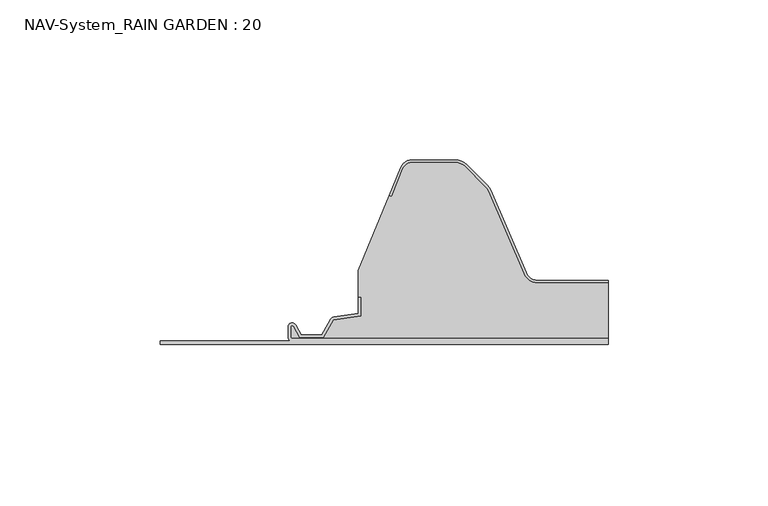
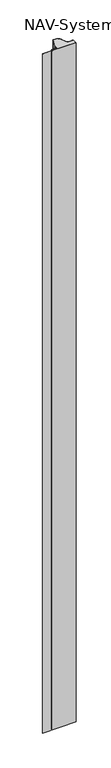
"""IFC4 building model written with IfcOpenShell, lengths in millimetres: plate geometry, NAV-System_RAIN GARDEN : 20."""

from ifc_helpers import new_model, si_unit, point, frame, frame_2d, origin, origin_with_axes, place, context, project, spatial, polyline, circle_curve, trimmed, segment, composite_curve, outline, extrude, source, transform, mapped, element, save


def nav_system_rain_garden_20_092e9732(model_context):
    return source(origin(), model_context, "Body", "SweptSolid", [
        extrude(outline(composite_curve([segment(polyline([(0.0, -90.0), (0.0, 50.0), (1.8, 50.0), (1.8, -48.7)]), True, "CONTINUOUS"), segment(trimmed(circle_curve(frame_2d((2.3, -48.7)), 0.5), [point((1.8, -48.7))], [point((2.3, -49.2))], True, "CARTESIAN"), True, "CONTINUOUS"), segment(polyline([(2.3, -49.2), (5.3700191, -49.2)]), True, "CONTINUOUS"), segment(trimmed(circle_curve(frame_2d((5.3700191, -48.7)), 0.5), [point((5.3700191, -49.2))], [point((5.6200191, -48.2669873))], True, "CARTESIAN"), True, "CONTINUOUS"), segment(polyline([(5.6200191, -48.2669873), (2.2, -46.2924383), (2.2, -38.9841833), (7.6866602, -35.8164586), (8.898332, -27.2), (14.6767555, -27.2), (14.6767555, -28.0), (9.5937048, -28.0), (8.5128213, -35.6863953)]), True, "CONTINUOUS"), segment(trimmed(circle_curve(frame_2d((7.2254873, -35.5053666)), 1.3), [point((8.5128213, -35.6863953))], [point((7.8754873, -36.6311996))], False, "CARTESIAN"), True, "CONTINUOUS"), segment(polyline([(7.8754873, -36.6311996), (3.0, -39.4460636), (3.0, -45.8305581), (6.0200191, -47.574167)]), True, "CONTINUOUS"), segment(trimmed(circle_curve(frame_2d((5.3700191, -48.7)), 1.3), [point((6.0200191, -47.574167))], [point((5.3700191, -50.0))], False, "CARTESIAN"), True, "CONTINUOUS"), segment(polyline([(5.3700191, -50.0), (2.3, -50.0)]), True, "CONTINUOUS"), segment(trimmed(circle_curve(frame_2d((2.3, -48.7)), 1.3), [point((2.3, -50.0))], [point((1.0, -48.7))], False, "CARTESIAN"), True, "CONTINUOUS"), segment(polyline([(1.0, -48.7), (1.0, -90.0), (0.0, -90.0)]), True, "CONTINUOUS")], self_intersect=False)), frame((0.0, 0.0, 3000.0), z_axis=(0.0, 0.0, -1.0), x_axis=(0.0, 1.0, 0.0)), (0.0, 0.0, 1.0), 3000.0),
        extrude(outline(composite_curve([segment(polyline([(28.0709249, 19.2), (50.0, 19.2), (50.0, 1.8), (-48.7, 1.8)]), True, "CONTINUOUS"), segment(trimmed(circle_curve(frame_2d((-48.7, 2.3)), 0.5), [point((-48.7, 1.8))], [point((-49.2, 2.3))], False, "CARTESIAN"), True, "CONTINUOUS"), segment(polyline([(-49.2, 2.3), (-49.2, 5.3700191)]), True, "CONTINUOUS"), segment(trimmed(circle_curve(frame_2d((-48.7, 5.3700191)), 0.5), [point((-49.2, 5.3700191))], [point((-48.2669873, 5.6200191))], False, "CARTESIAN"), True, "CONTINUOUS"), segment(polyline([(-48.2669873, 5.6200191), (-46.2924383, 2.2), (-38.9841833, 2.2), (-35.8164586, 7.6866602), (-27.2, 8.898332), (-27.2, 14.6767555), (-28.0, 14.6767555), (-28.0, 23.053822), (-18.3696578, 46.593514), (-17.6292254, 46.2905951), (-14.1022482, 54.9116756)]), True, "CONTINUOUS"), segment(trimmed(circle_curve(frame_2d((-11.1405186, 53.7)), 3.2), [point((-14.1022482, 54.9116756))], [point((-11.1405186, 56.9))], False, "CARTESIAN"), True, "CONTINUOUS"), segment(polyline([(-11.1405186, 56.9), (2.2655335, 56.9)]), True, "CONTINUOUS"), segment(trimmed(circle_curve(frame_2d((2.2655335, 52.7)), 4.2), [point((2.2655335, 56.9))], [point((5.235382, 55.6698485))], False, "CARTESIAN"), True, "CONTINUOUS"), segment(polyline([(5.235382, 55.6698485), (11.6863603, 49.2188701)]), True, "CONTINUOUS"), segment(trimmed(circle_curve(frame_2d((8.7165118, 46.2490217)), 4.2), [point((11.6863603, 49.2188701))], [point((12.5754349, 47.9069459))], False, "CARTESIAN"), True, "CONTINUOUS"), segment(polyline([(12.5754349, 47.9069459), (23.6607271, 22.1052295)]), True, "CONTINUOUS"), segment(trimmed(circle_curve(frame_2d((28.0709249, 24.0)), 4.8), [point((23.6607271, 22.1052295))], [point((28.0709249, 19.2))], True, "CARTESIAN"), True, "CONTINUOUS")], self_intersect=False)), origin_with_axes(), (0.0, 0.0, 1.0), 3000.0),
        extrude(outline(composite_curve([segment(trimmed(circle_curve(frame_2d((-11.1408608, 53.7)), 4.0), [point((-14.8430228, 55.2145945))], [point((-11.1408608, 57.7))], False, "CARTESIAN"), True, "CONTINUOUS"), segment(polyline([(-11.1408608, 57.7), (2.2651913, 57.7)]), True, "CONTINUOUS"), segment(trimmed(circle_curve(frame_2d((2.2651913, 52.7)), 5.0), [point((2.2651913, 57.7))], [point((5.8007252, 56.2355339))], False, "CARTESIAN"), True, "CONTINUOUS"), segment(polyline([(5.8007252, 56.2355339), (12.2517035, 49.7845556)]), True, "CONTINUOUS"), segment(trimmed(circle_curve(frame_2d((8.7161696, 46.2490217)), 5.0), [point((12.2517035, 49.7845556))], [point((13.3101256, 48.2227409))], False, "CARTESIAN"), True, "CONTINUOUS"), segment(polyline([(13.3101256, 48.2227409), (24.3954178, 22.4210246)]), True, "CONTINUOUS"), segment(trimmed(circle_curve(frame_2d((28.0705827, 24.0)), 4.0), [point((24.3954178, 22.4210246))], [point((28.0705827, 20.0))], True, "CARTESIAN"), True, "CONTINUOUS"), segment(polyline([(28.0705827, 20.0), (50.0, 20.0), (50.0, 19.2), (28.0705827, 19.2)]), True, "CONTINUOUS"), segment(trimmed(circle_curve(frame_2d((28.0705827, 24.0)), 4.8), [point((28.0705827, 19.2))], [point((23.6603849, 22.1052295))], False, "CARTESIAN"), True, "CONTINUOUS"), segment(polyline([(23.6603849, 22.1052295), (12.5750927, 47.9069459)]), True, "CONTINUOUS"), segment(trimmed(circle_curve(frame_2d((8.7161696, 46.2490217)), 4.2), [point((12.5750927, 47.9069459))], [point((11.6860181, 49.2188701))], True, "CARTESIAN"), True, "CONTINUOUS"), segment(polyline([(11.6860181, 49.2188701), (5.2350397, 55.6698485)]), True, "CONTINUOUS"), segment(trimmed(circle_curve(frame_2d((2.2651913, 52.7)), 4.2), [point((5.2350397, 55.6698485))], [point((2.2651913, 56.9))], True, "CARTESIAN"), True, "CONTINUOUS"), segment(polyline([(2.2651913, 56.9), (-11.1408608, 56.9)]), True, "CONTINUOUS"), segment(trimmed(circle_curve(frame_2d((-11.1408608, 53.7)), 3.2), [point((-11.1408608, 56.9))], [point((-14.1025904, 54.9116756))], True, "CARTESIAN"), True, "CONTINUOUS"), segment(polyline([(-14.1025904, 54.9116756), (-17.6295676, 46.2905951), (-18.37, 46.593514), (-14.8430228, 55.2145945)]), True, "CONTINUOUS")], self_intersect=False)), origin_with_axes(), (0.0, 0.0, 1.0), 3000.0),
    ])


if __name__ == "__main__":
    model = new_model("IFC4")
    model_context = context("Model", 3, world=origin())
    ifc_project = project(units=[si_unit("LENGTHUNIT", "METRE", prefix="MILLI")], contexts=[model_context])
    site = spatial("IfcSite", under=ifc_project)
    building = spatial("IfcBuilding", under=site)
    placement = place(None, origin())
    nav_system_rain_garden_20_shape = nav_system_rain_garden_20_092e9732(model_context)
    element("IfcPlate", 1, ObjectType="NAV-System_RAIN GARDEN : 20", at=placement, inside=building, context=model_context, shape_type="MappedRepresentation", body=[
        mapped(nav_system_rain_garden_20_shape, transform((0.0, 0.0, 0.0), x_axis=(1.0, 0.0, 0.0), y_axis=(0.0, 1.0, 0.0), z_axis=(0.0, 0.0, 1.0))),
    ])
    save(model, "model.ifc")
